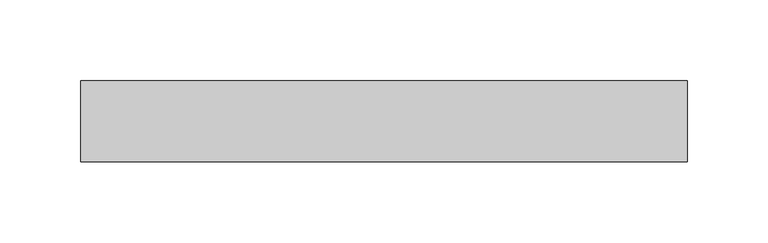
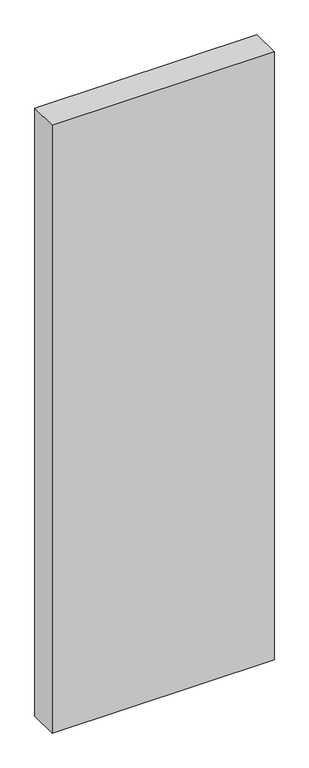
"""IFC4 building model written with IfcOpenShell, lengths in millimetres: plate geometry."""

import ifcopenshell
import ifcopenshell.guid

model = None  # the IFC model being written
_history = None  # IfcOwnerHistory: only IFC2X3 demands one
_inside = {}  # id of a spatial element -> (the spatial element, [elements in it])
_under = {}  # id of a project, library or spatial element -> (it, [spatial elements below it])
_declared = {}  # id of a project -> (the project, [libraries it declares])
_typed = {}  # id of a type object -> (the type object, [elements of that type])
_made_of = {}  # id of a material, layer set ... -> (it, [elements and type objects made of it])


def new_model(schema):
    """Start an empty IFC model of exactly this schema.

    Asked for "IFC4X3", IfcOpenShell would pick the latest addendum, in which some entities
    have other attributes; the version numbers below select the first issue.
    IFC2X3 requires an IfcOwnerHistory on every rooted entity: one is made here for all.
    """
    global model, _history
    if schema == "IFC4X3":
        model = ifcopenshell.file(schema_version=(4, 3, 0, 0))
    else:
        model = ifcopenshell.file(schema=schema)
    _inside.clear()
    _under.clear()
    _declared.clear()
    _typed.clear()
    _made_of.clear()
    _history = None
    if model.schema == "IFC2X3":
        org = make("IfcOrganization", Name="unknown")
        user = make(
            "IfcPersonAndOrganization",
            ThePerson=make("IfcPerson", FamilyName="unknown"),
            TheOrganization=org,
        )
        app = make(
            "IfcApplication",
            ApplicationDeveloper=org,
            Version="unknown",
            ApplicationFullName="unknown",
            ApplicationIdentifier="unknown",
        )
        _history = make(
            "IfcOwnerHistory",
            OwningUser=user,
            OwningApplication=app,
            ChangeAction="ADDED",
            CreationDate=0,
        )
    return model


def make(cls, **values):
    """One entity of the class cls with the attributes given. An attribute that is None is left unset."""
    return model.create_entity(
        cls, **{name: value for name, value in values.items() if value is not None}
    )


def rooted(cls, **values):
    """An entity with a GlobalId (a new one), such as an element, a storey or a relation."""
    return make(cls, GlobalId=ifcopenshell.guid.new(), OwnerHistory=_history, **values)


def si_unit(unit_type, name, prefix=None):
    """IfcSIUnit, for example si_unit("LENGTHUNIT", "METRE", prefix="MILLI")."""
    return make("IfcSIUnit", UnitType=unit_type, Prefix=prefix, Name=name)


def assignment(units):
    """IfcUnitAssignment: the units of a project."""
    return None if units is None else make("IfcUnitAssignment", Units=units)


def point(xyz):
    """IfcCartesianPoint."""
    return None if xyz is None else make("IfcCartesianPoint", Coordinates=xyz)


def direction(xyz):
    """IfcDirection."""
    return None if xyz is None else make("IfcDirection", DirectionRatios=xyz)


def frame(location, z_axis=None, x_axis=None):
    """IfcAxis2Placement3D, a coordinate frame: its origin and axes. An axis left out is left unset."""
    return make(
        "IfcAxis2Placement3D",
        Location=point(location),
        Axis=direction(z_axis),
        RefDirection=direction(x_axis),
    )


def origin():
    """The frame at (0, 0, 0) with its axes left unset."""
    return frame((0.0, 0.0, 0.0))


def origin_with_axes():
    """The frame at (0, 0, 0) with the z axis (0, 0, 1) and the x axis (1, 0, 0) written out."""
    return frame((0.0, 0.0, 0.0), z_axis=(0.0, 0.0, 1.0), x_axis=(1.0, 0.0, 0.0))


def place(relative_to, where):
    """IfcLocalPlacement: puts the frame where relative to a parent placement (None: the world)."""
    return make(
        "IfcLocalPlacement", PlacementRelTo=relative_to, RelativePlacement=where
    )


def context(
    kind, dimensions, precision=None, world=None, true_north=None, identifier=None
):
    """IfcGeometricRepresentationContext, for example the 3D "Model" context."""
    return make(
        "IfcGeometricRepresentationContext",
        ContextIdentifier=identifier,
        ContextType=kind,
        CoordinateSpaceDimension=dimensions,
        Precision=precision,
        WorldCoordinateSystem=world,
        TrueNorth=true_north,
    )


def project(units=None, contexts=None):
    """IfcProject with its units and contexts."""
    return rooted(
        "IfcProject",
        Name="project",
        RepresentationContexts=contexts,
        UnitsInContext=assignment(units),
    )


def spatial(cls, under=None, at=None, **own):
    """A site, building, storey or space (cls), placed at a placement, below another one or the project."""
    s = rooted(cls, ObjectPlacement=at, **own)
    if under is not None:
        _under.setdefault(under.id(), (under, []))[1].append(s)
    return s


def polyline(points):
    """IfcPolyline through the points."""
    return make("IfcPolyline", Points=[point(p) for p in points])


def outline(outer, holes=None, kind="AREA"):
    """IfcArbitraryClosedProfileDef: a profile drawn as a closed curve; with holes, ...WithVoids."""
    if holes is None:
        return make("IfcArbitraryClosedProfileDef", ProfileType=kind, OuterCurve=outer)
    return make(
        "IfcArbitraryProfileDefWithVoids",
        ProfileType=kind,
        OuterCurve=outer,
        InnerCurves=holes,
    )


def extrude(swept, where, along, depth):
    """IfcExtrudedAreaSolid: the profile swept, set in the frame where, extruded along a direction by depth."""
    return make(
        "IfcExtrudedAreaSolid",
        SweptArea=swept,
        Position=where,
        ExtrudedDirection=direction(along),
        Depth=depth,
    )


def shape(context_of_items, identifier, shape_type, items):
    """IfcShapeRepresentation: the items that make up one representation, for example the "Body"."""
    return make(
        "IfcShapeRepresentation",
        ContextOfItems=context_of_items,
        RepresentationIdentifier=identifier,
        RepresentationType=shape_type,
        Items=items,
    )


def source(mapping_origin, context_of_items, identifier, shape_type, items):
    """IfcRepresentationMap: a shape defined once, which mapped items show again and again."""
    return make(
        "IfcRepresentationMap",
        MappingOrigin=mapping_origin,
        MappedRepresentation=shape(context_of_items, identifier, shape_type, items),
    )


def transform(
    local_origin,
    x_axis=None,
    y_axis=None,
    z_axis=None,
    scale=None,
    scale2=None,
    scale3=None,
    uniform=True,
):
    """IfcCartesianTransformationOperator3D, or its non-uniform kind. x_axis, y_axis, z_axis: its Axis1, 2, 3."""
    if uniform:
        return make(
            "IfcCartesianTransformationOperator3D",
            Axis1=direction(x_axis),
            Axis2=direction(y_axis),
            LocalOrigin=point(local_origin),
            Scale=scale,
            Axis3=direction(z_axis),
        )
    return make(
        "IfcCartesianTransformationOperator3DnonUniform",
        Axis1=direction(x_axis),
        Axis2=direction(y_axis),
        LocalOrigin=point(local_origin),
        Scale=scale,
        Axis3=direction(z_axis),
        Scale2=scale2,
        Scale3=scale3,
    )


def mapped(mapping_source, mapping_target):
    """IfcMappedItem: shows the shape of a source again, moved by a transform."""
    return make(
        "IfcMappedItem", MappingSource=mapping_source, MappingTarget=mapping_target
    )


def made_of(thing, what):
    """Note that an element or type object is made of a material, layer set ...; save() writes the relation."""
    if what is not None:
        _made_of.setdefault(what.id(), (what, []))[1].append(thing)
    return thing


def element(
    cls,
    number,
    at=None,
    inside=None,
    cuts=None,
    type_object=None,
    material=None,
    context=None,
    identifier="Body",
    shape_type=None,
    held_by="IfcProductDefinitionShape",
    body=None,
    shapes=None,
    **own,
):
    """One element of the class cls, such as IfcWall. Its Tag is "e" and its number.

    at: its placement. inside: the storey or other place that contains it. cuts: it is an
    opening in that element (IfcRelVoidsElement). A single representation is given by context,
    identifier, shape_type and body (its items); several are given by shapes. held_by: the class
    of the entity that holds the representations. save() writes the other relations.
    """
    e = rooted(cls, Tag="e%d" % number, ObjectPlacement=at, **own)
    if body is not None:
        shapes = [shape(context, identifier, shape_type, body)]
    if shapes is not None:
        e.Representation = make(held_by, Representations=shapes)
    if inside is not None:
        _inside.setdefault(inside.id(), (inside, []))[1].append(e)
    if cuts is not None:
        rooted(
            "IfcRelVoidsElement", RelatingBuildingElement=cuts, RelatedOpeningElement=e
        )
    if type_object is not None:
        _typed.setdefault(type_object.id(), (type_object, []))[1].append(e)
    return made_of(e, material)


def aggregate(whole, parts):
    """IfcRelAggregates: a whole, such as a stair, and the parts it consists of."""
    return rooted("IfcRelAggregates", RelatingObject=whole, RelatedObjects=parts)


def save(model, path):
    """Write the relations noted so far, then the file.

    IfcRelAggregates (storeys below a building ...), IfcRelContainedInSpatialStructure (elements
    in a storey), IfcRelDefinesByType, IfcRelAssociatesMaterial and IfcRelDeclares: one each for
    every whole, place, type object, material and project.
    """
    for whole, parts in _under.values():
        aggregate(whole, parts)
    for where, things in _inside.values():
        rooted(
            "IfcRelContainedInSpatialStructure",
            RelatedElements=things,
            RelatingStructure=where,
        )
    for kind, things in _typed.values():
        rooted("IfcRelDefinesByType", RelatedObjects=things, RelatingType=kind)
    for what, things in _made_of.values():
        rooted("IfcRelAssociatesMaterial", RelatedObjects=things, RelatingMaterial=what)
    for by, libraries in _declared.values():
        rooted("IfcRelDeclares", RelatingContext=by, RelatedDefinitions=libraries)
    model.write(path)


def plate_163f2816(model_context):
    return source(origin(), model_context, "Body", "SweptSolid", [
        extrude(outline(polyline([(187.5, -25.0), (-187.5, -25.0), (-187.5, 25.0), (187.5, 25.0), (187.5, -25.0)])), origin_with_axes(), (0.0, 0.0, 1.0), 1085.0),
    ])


if __name__ == "__main__":
    model = new_model("IFC4")
    model_context = context("Model", 3, world=origin())
    ifc_project = project(units=[si_unit("LENGTHUNIT", "METRE", prefix="MILLI")], contexts=[model_context])
    site = spatial("IfcSite", under=ifc_project)
    building = spatial("IfcBuilding", under=site)
    placement = place(None, origin())
    plate_shape = plate_163f2816(model_context)
    element("IfcPlate", 1, at=placement, inside=building, context=model_context, shape_type="MappedRepresentation", body=[
        mapped(plate_shape, transform((0.0, 0.0, 0.0), x_axis=(1.0, 0.0, 0.0), y_axis=(0.0, 1.0, 0.0), z_axis=(0.0, 0.0, 1.0))),
    ])
    save(model, "model.ifc")
